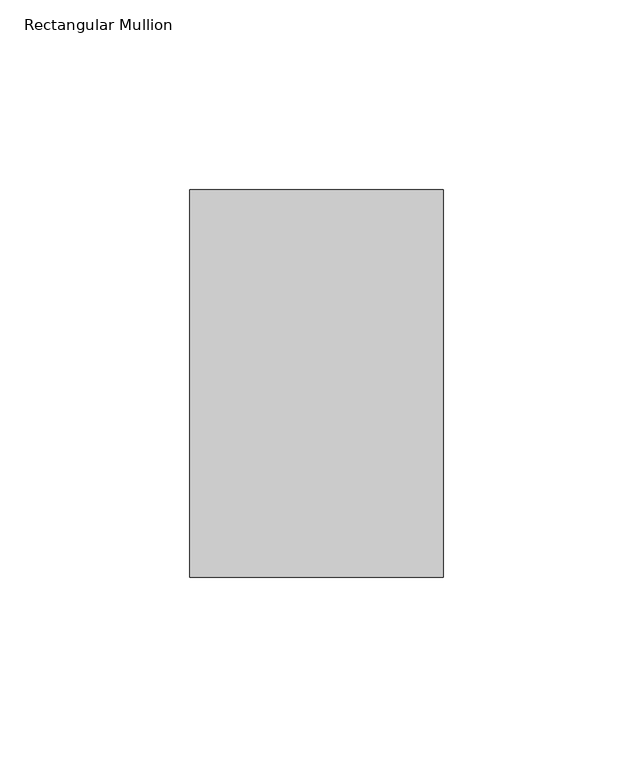
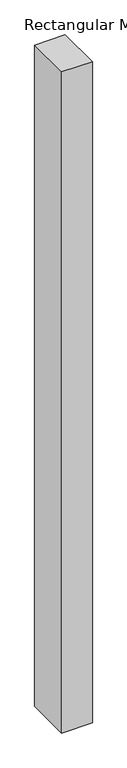
"""IFC4 building model written with IfcOpenShell, lengths in millimetres: member geometry, Rectangular Mullion."""

from ifc_helpers import new_model, si_unit, frame, origin, place, context, project, spatial, polyline, outline, extrude, source, transform, mapped, element, save


def rectangular_mullion_22a05a7d(model_context):
    return source(origin(), model_context, "Body", "SweptSolid", [
        extrude(outline(polyline([(33.3375, 50.8), (33.3375, -51.181), (-33.3375, -51.181), (-33.3375, 50.8), (33.3375, 50.8)])), frame((0.0, 0.0, -1524.0), z_axis=(0.0, 0.0, 1.0), x_axis=(1.0, 0.0, 0.0)), (0.0, 0.0, 1.0), 1524.0),
    ])


if __name__ == "__main__":
    model = new_model("IFC4")
    model_context = context("Model", 3, world=origin())
    ifc_project = project(units=[si_unit("LENGTHUNIT", "METRE", prefix="MILLI")], contexts=[model_context])
    site = spatial("IfcSite", under=ifc_project)
    building = spatial("IfcBuilding", under=site)
    placement = place(None, origin())
    rectangular_mullion_shape = rectangular_mullion_22a05a7d(model_context)
    element("IfcMember", 1, ObjectType="Rectangular Mullion", at=placement, inside=building, context=model_context, shape_type="MappedRepresentation", body=[
        mapped(rectangular_mullion_shape, transform((0.0, 0.0, 0.0), x_axis=(1.0, 0.0, 0.0), y_axis=(0.0, 1.0, 0.0), z_axis=(0.0, 0.0, 1.0))),
    ])
    save(model, "model.ifc")
